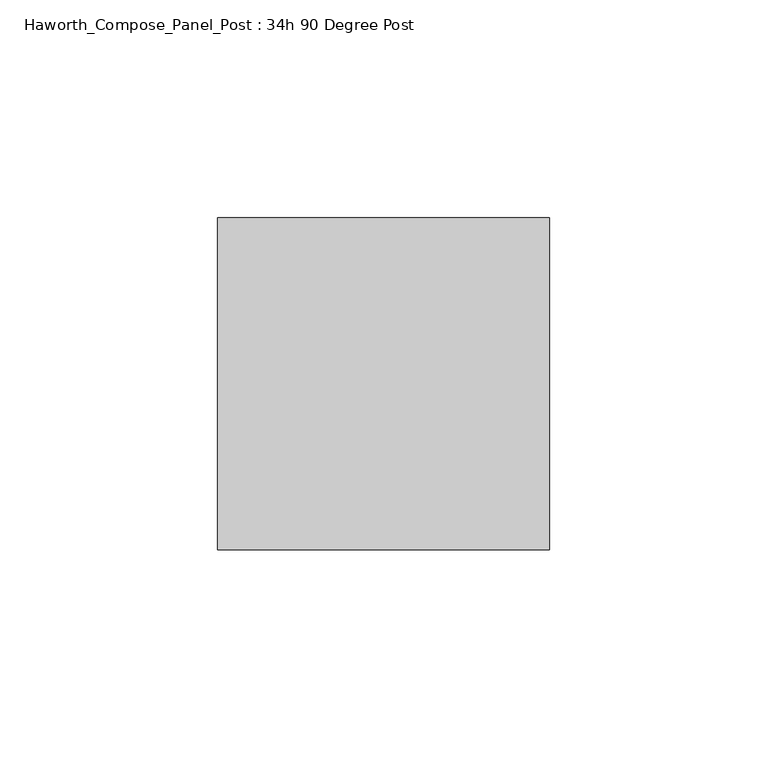
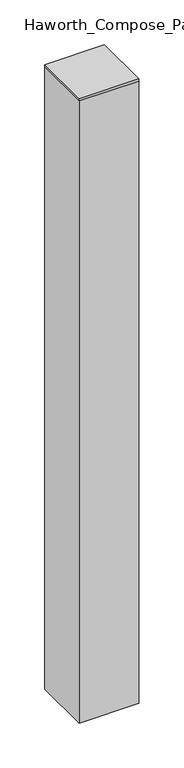
"""IFC4 building model written with IfcOpenShell, lengths in millimetres: furniture geometry, Haworth_Compose_Panel_Post : 34h 90 Degree Post."""

from ifc_helpers import new_model, si_unit, frame, origin, place, context, project, spatial, polyline, outline, extrude, source, transform, mapped, element, save


def haworth_compose_panel_post_34h_90_degree_post_28cf6a98(model_context):
    return source(origin(), model_context, "Body", "SweptSolid", [
        extrude(outline(polyline([(0.0, 38.1), (76.2, 38.1), (76.2, -38.1), (0.0, -38.1), (0.0, 38.1)])), frame((0.0, 0.0, 857.25), z_axis=(0.0, 0.0, 1.0), x_axis=(1.0, 0.0, 0.0)), (0.0, 0.0, 1.0), 3.175),
        extrude(outline(polyline([(76.2, 38.1), (76.2, -38.1), (0.0, -38.1), (0.0, 38.1), (76.2, 38.1)])), frame((0.0, 0.0, 12.7), z_axis=(0.0, 0.0, 1.0), x_axis=(1.0, 0.0, 0.0)), (0.0, 0.0, 1.0), 844.55),
    ])


if __name__ == "__main__":
    model = new_model("IFC4")
    model_context = context("Model", 3, world=origin())
    ifc_project = project(units=[si_unit("LENGTHUNIT", "METRE", prefix="MILLI")], contexts=[model_context])
    site = spatial("IfcSite", under=ifc_project)
    building = spatial("IfcBuilding", under=site)
    placement = place(None, origin())
    haworth_compose_panel_post_34h_90_degree_post_shape = haworth_compose_panel_post_34h_90_degree_post_28cf6a98(model_context)
    element("IfcFurniture", 1, ObjectType="Haworth_Compose_Panel_Post : 34h 90 Degree Post", at=placement, inside=building, context=model_context, shape_type="MappedRepresentation", body=[
        mapped(haworth_compose_panel_post_34h_90_degree_post_shape, transform((0.0, 0.0, 0.0), x_axis=(1.0, 0.0, 0.0), y_axis=(0.0, 1.0, 0.0), z_axis=(0.0, 0.0, 1.0))),
    ])
    save(model, "model.ifc")
